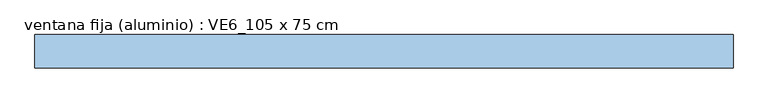
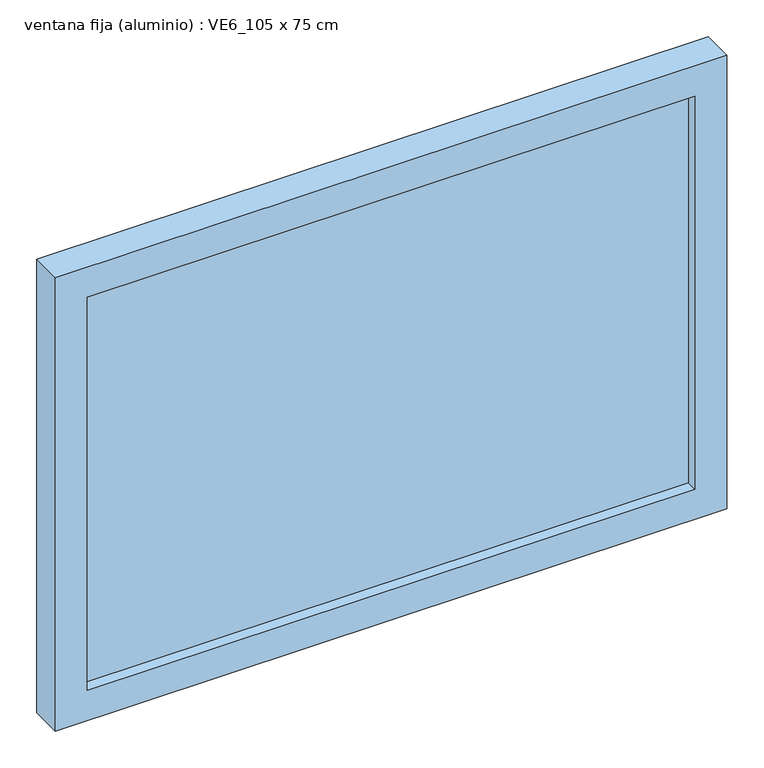
"""IFC4 building model written with IfcOpenShell, lengths in millimetres: window geometry, ventana fija (aluminio) : VE6_105 x 75 cm."""

import ifcopenshell
import ifcopenshell.guid

model = None  # the IFC model being written
_history = None  # IfcOwnerHistory: only IFC2X3 demands one
_inside = {}  # id of a spatial element -> (the spatial element, [elements in it])
_under = {}  # id of a project, library or spatial element -> (it, [spatial elements below it])
_declared = {}  # id of a project -> (the project, [libraries it declares])
_typed = {}  # id of a type object -> (the type object, [elements of that type])
_made_of = {}  # id of a material, layer set ... -> (it, [elements and type objects made of it])


def new_model(schema):
    """Start an empty IFC model of exactly this schema.

    Asked for "IFC4X3", IfcOpenShell would pick the latest addendum, in which some entities
    have other attributes; the version numbers below select the first issue.
    IFC2X3 requires an IfcOwnerHistory on every rooted entity: one is made here for all.
    """
    global model, _history
    if schema == "IFC4X3":
        model = ifcopenshell.file(schema_version=(4, 3, 0, 0))
    else:
        model = ifcopenshell.file(schema=schema)
    _inside.clear()
    _under.clear()
    _declared.clear()
    _typed.clear()
    _made_of.clear()
    _history = None
    if model.schema == "IFC2X3":
        org = make("IfcOrganization", Name="unknown")
        user = make(
            "IfcPersonAndOrganization",
            ThePerson=make("IfcPerson", FamilyName="unknown"),
            TheOrganization=org,
        )
        app = make(
            "IfcApplication",
            ApplicationDeveloper=org,
            Version="unknown",
            ApplicationFullName="unknown",
            ApplicationIdentifier="unknown",
        )
        _history = make(
            "IfcOwnerHistory",
            OwningUser=user,
            OwningApplication=app,
            ChangeAction="ADDED",
            CreationDate=0,
        )
    return model


def make(cls, **values):
    """One entity of the class cls with the attributes given. An attribute that is None is left unset."""
    return model.create_entity(
        cls, **{name: value for name, value in values.items() if value is not None}
    )


def rooted(cls, **values):
    """An entity with a GlobalId (a new one), such as an element, a storey or a relation."""
    return make(cls, GlobalId=ifcopenshell.guid.new(), OwnerHistory=_history, **values)


def si_unit(unit_type, name, prefix=None):
    """IfcSIUnit, for example si_unit("LENGTHUNIT", "METRE", prefix="MILLI")."""
    return make("IfcSIUnit", UnitType=unit_type, Prefix=prefix, Name=name)


def assignment(units):
    """IfcUnitAssignment: the units of a project."""
    return None if units is None else make("IfcUnitAssignment", Units=units)


def point(xyz):
    """IfcCartesianPoint."""
    return None if xyz is None else make("IfcCartesianPoint", Coordinates=xyz)


def direction(xyz):
    """IfcDirection."""
    return None if xyz is None else make("IfcDirection", DirectionRatios=xyz)


def frame(location, z_axis=None, x_axis=None):
    """IfcAxis2Placement3D, a coordinate frame: its origin and axes. An axis left out is left unset."""
    return make(
        "IfcAxis2Placement3D",
        Location=point(location),
        Axis=direction(z_axis),
        RefDirection=direction(x_axis),
    )


def origin():
    """The frame at (0, 0, 0) with its axes left unset."""
    return frame((0.0, 0.0, 0.0))


def place(relative_to, where):
    """IfcLocalPlacement: puts the frame where relative to a parent placement (None: the world)."""
    return make(
        "IfcLocalPlacement", PlacementRelTo=relative_to, RelativePlacement=where
    )


def context(
    kind, dimensions, precision=None, world=None, true_north=None, identifier=None
):
    """IfcGeometricRepresentationContext, for example the 3D "Model" context."""
    return make(
        "IfcGeometricRepresentationContext",
        ContextIdentifier=identifier,
        ContextType=kind,
        CoordinateSpaceDimension=dimensions,
        Precision=precision,
        WorldCoordinateSystem=world,
        TrueNorth=true_north,
    )


def project(units=None, contexts=None):
    """IfcProject with its units and contexts."""
    return rooted(
        "IfcProject",
        Name="project",
        RepresentationContexts=contexts,
        UnitsInContext=assignment(units),
    )


def spatial(cls, under=None, at=None, **own):
    """A site, building, storey or space (cls), placed at a placement, below another one or the project."""
    s = rooted(cls, ObjectPlacement=at, **own)
    if under is not None:
        _under.setdefault(under.id(), (under, []))[1].append(s)
    return s


def polyline(points):
    """IfcPolyline through the points."""
    return make("IfcPolyline", Points=[point(p) for p in points])


def outline(outer, holes=None, kind="AREA"):
    """IfcArbitraryClosedProfileDef: a profile drawn as a closed curve; with holes, ...WithVoids."""
    if holes is None:
        return make("IfcArbitraryClosedProfileDef", ProfileType=kind, OuterCurve=outer)
    return make(
        "IfcArbitraryProfileDefWithVoids",
        ProfileType=kind,
        OuterCurve=outer,
        InnerCurves=holes,
    )


def extrude(swept, where, along, depth):
    """IfcExtrudedAreaSolid: the profile swept, set in the frame where, extruded along a direction by depth."""
    return make(
        "IfcExtrudedAreaSolid",
        SweptArea=swept,
        Position=where,
        ExtrudedDirection=direction(along),
        Depth=depth,
    )


def shape(context_of_items, identifier, shape_type, items):
    """IfcShapeRepresentation: the items that make up one representation, for example the "Body"."""
    return make(
        "IfcShapeRepresentation",
        ContextOfItems=context_of_items,
        RepresentationIdentifier=identifier,
        RepresentationType=shape_type,
        Items=items,
    )


def source(mapping_origin, context_of_items, identifier, shape_type, items):
    """IfcRepresentationMap: a shape defined once, which mapped items show again and again."""
    return make(
        "IfcRepresentationMap",
        MappingOrigin=mapping_origin,
        MappedRepresentation=shape(context_of_items, identifier, shape_type, items),
    )


def transform(
    local_origin,
    x_axis=None,
    y_axis=None,
    z_axis=None,
    scale=None,
    scale2=None,
    scale3=None,
    uniform=True,
):
    """IfcCartesianTransformationOperator3D, or its non-uniform kind. x_axis, y_axis, z_axis: its Axis1, 2, 3."""
    if uniform:
        return make(
            "IfcCartesianTransformationOperator3D",
            Axis1=direction(x_axis),
            Axis2=direction(y_axis),
            LocalOrigin=point(local_origin),
            Scale=scale,
            Axis3=direction(z_axis),
        )
    return make(
        "IfcCartesianTransformationOperator3DnonUniform",
        Axis1=direction(x_axis),
        Axis2=direction(y_axis),
        LocalOrigin=point(local_origin),
        Scale=scale,
        Axis3=direction(z_axis),
        Scale2=scale2,
        Scale3=scale3,
    )


def mapped(mapping_source, mapping_target):
    """IfcMappedItem: shows the shape of a source again, moved by a transform."""
    return make(
        "IfcMappedItem", MappingSource=mapping_source, MappingTarget=mapping_target
    )


def made_of(thing, what):
    """Note that an element or type object is made of a material, layer set ...; save() writes the relation."""
    if what is not None:
        _made_of.setdefault(what.id(), (what, []))[1].append(thing)
    return thing


def element(
    cls,
    number,
    at=None,
    inside=None,
    cuts=None,
    type_object=None,
    material=None,
    context=None,
    identifier="Body",
    shape_type=None,
    held_by="IfcProductDefinitionShape",
    body=None,
    shapes=None,
    **own,
):
    """One element of the class cls, such as IfcWall. Its Tag is "e" and its number.

    at: its placement. inside: the storey or other place that contains it. cuts: it is an
    opening in that element (IfcRelVoidsElement). A single representation is given by context,
    identifier, shape_type and body (its items); several are given by shapes. held_by: the class
    of the entity that holds the representations. save() writes the other relations.
    """
    e = rooted(cls, Tag="e%d" % number, ObjectPlacement=at, **own)
    if body is not None:
        shapes = [shape(context, identifier, shape_type, body)]
    if shapes is not None:
        e.Representation = make(held_by, Representations=shapes)
    if inside is not None:
        _inside.setdefault(inside.id(), (inside, []))[1].append(e)
    if cuts is not None:
        rooted(
            "IfcRelVoidsElement", RelatingBuildingElement=cuts, RelatedOpeningElement=e
        )
    if type_object is not None:
        _typed.setdefault(type_object.id(), (type_object, []))[1].append(e)
    return made_of(e, material)


def aggregate(whole, parts):
    """IfcRelAggregates: a whole, such as a stair, and the parts it consists of."""
    return rooted("IfcRelAggregates", RelatingObject=whole, RelatedObjects=parts)


def save(model, path):
    """Write the relations noted so far, then the file.

    IfcRelAggregates (storeys below a building ...), IfcRelContainedInSpatialStructure (elements
    in a storey), IfcRelDefinesByType, IfcRelAssociatesMaterial and IfcRelDeclares: one each for
    every whole, place, type object, material and project.
    """
    for whole, parts in _under.values():
        aggregate(whole, parts)
    for where, things in _inside.values():
        rooted(
            "IfcRelContainedInSpatialStructure",
            RelatedElements=things,
            RelatingStructure=where,
        )
    for kind, things in _typed.values():
        rooted("IfcRelDefinesByType", RelatedObjects=things, RelatingType=kind)
    for what, things in _made_of.values():
        rooted("IfcRelAssociatesMaterial", RelatedObjects=things, RelatingMaterial=what)
    for by, libraries in _declared.values():
        rooted("IfcRelDeclares", RelatingContext=by, RelatedDefinitions=libraries)
    model.write(path)


def ventana_fija_aluminio_ve6_105_x_75_cm_022fc700(model_context):
    return source(origin(), model_context, "Body", "SweptSolid", [
        extrude(outline(polyline([(475.0, 116.5), (-475.0, 116.5), (-475.0, 131.5), (475.0, 131.5), (475.0, 116.5)])), frame((0.0, 0.0, 850.0), z_axis=(0.0, 0.0, 1.0), x_axis=(1.0, 0.0, 0.0)), (0.0, 0.0, 1.0), 650.0),
        extrude(outline(polyline([(1550.0, -525.0), (800.0, -525.0), (800.0, 525.0), (1550.0, 525.0), (1550.0, -525.0)]), holes=[polyline([(1500.0, -475.0), (1500.0, 475.0), (850.0, 475.0), (850.0, -475.0), (1500.0, -475.0)])]), frame((0.0, 99.0, 0.0), z_axis=(0.0, 1.0, 0.0), x_axis=(0.0, 0.0, 1.0)), (0.0, 0.0, 1.0), 50.0),
    ])


if __name__ == "__main__":
    model = new_model("IFC4")
    model_context = context("Model", 3, world=origin())
    ifc_project = project(units=[si_unit("LENGTHUNIT", "METRE", prefix="MILLI")], contexts=[model_context])
    site = spatial("IfcSite", under=ifc_project)
    building = spatial("IfcBuilding", under=site)
    placement = place(None, origin())
    ventana_fija_aluminio_ve6_105_x_75_cm_shape = ventana_fija_aluminio_ve6_105_x_75_cm_022fc700(model_context)
    element("IfcWindow", 1, ObjectType="ventana fija (aluminio) : VE6_105 x 75 cm", at=placement, inside=building, context=model_context, shape_type="MappedRepresentation", body=[
        mapped(ventana_fija_aluminio_ve6_105_x_75_cm_shape, transform((0.0, 0.0, 0.0), x_axis=(1.0, 0.0, 0.0), y_axis=(0.0, 1.0, 0.0), z_axis=(0.0, 0.0, 1.0))),
    ])
    save(model, "model.ifc")
